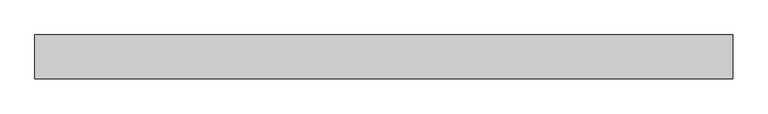
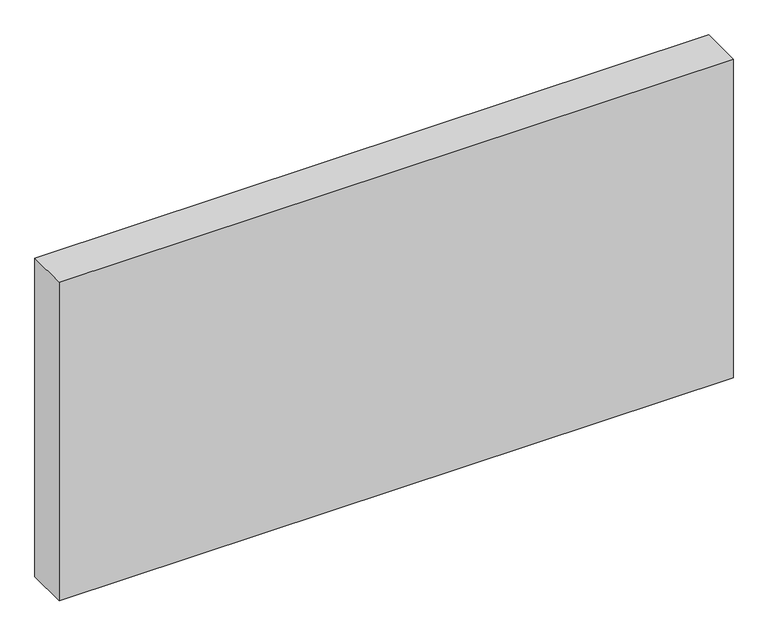
"""IFC4 building model written with IfcOpenShell, lengths in millimetres: proxy geometry."""

import ifcopenshell
import ifcopenshell.guid

model = None  # the IFC model being written
_history = None  # IfcOwnerHistory: only IFC2X3 demands one
_inside = {}  # id of a spatial element -> (the spatial element, [elements in it])
_under = {}  # id of a project, library or spatial element -> (it, [spatial elements below it])
_declared = {}  # id of a project -> (the project, [libraries it declares])
_typed = {}  # id of a type object -> (the type object, [elements of that type])
_made_of = {}  # id of a material, layer set ... -> (it, [elements and type objects made of it])


def new_model(schema):
    """Start an empty IFC model of exactly this schema.

    Asked for "IFC4X3", IfcOpenShell would pick the latest addendum, in which some entities
    have other attributes; the version numbers below select the first issue.
    IFC2X3 requires an IfcOwnerHistory on every rooted entity: one is made here for all.
    """
    global model, _history
    if schema == "IFC4X3":
        model = ifcopenshell.file(schema_version=(4, 3, 0, 0))
    else:
        model = ifcopenshell.file(schema=schema)
    _inside.clear()
    _under.clear()
    _declared.clear()
    _typed.clear()
    _made_of.clear()
    _history = None
    if model.schema == "IFC2X3":
        org = make("IfcOrganization", Name="unknown")
        user = make(
            "IfcPersonAndOrganization",
            ThePerson=make("IfcPerson", FamilyName="unknown"),
            TheOrganization=org,
        )
        app = make(
            "IfcApplication",
            ApplicationDeveloper=org,
            Version="unknown",
            ApplicationFullName="unknown",
            ApplicationIdentifier="unknown",
        )
        _history = make(
            "IfcOwnerHistory",
            OwningUser=user,
            OwningApplication=app,
            ChangeAction="ADDED",
            CreationDate=0,
        )
    return model


def make(cls, **values):
    """One entity of the class cls with the attributes given. An attribute that is None is left unset."""
    return model.create_entity(
        cls, **{name: value for name, value in values.items() if value is not None}
    )


def rooted(cls, **values):
    """An entity with a GlobalId (a new one), such as an element, a storey or a relation."""
    return make(cls, GlobalId=ifcopenshell.guid.new(), OwnerHistory=_history, **values)


def si_unit(unit_type, name, prefix=None):
    """IfcSIUnit, for example si_unit("LENGTHUNIT", "METRE", prefix="MILLI")."""
    return make("IfcSIUnit", UnitType=unit_type, Prefix=prefix, Name=name)


def assignment(units):
    """IfcUnitAssignment: the units of a project."""
    return None if units is None else make("IfcUnitAssignment", Units=units)


def point(xyz):
    """IfcCartesianPoint."""
    return None if xyz is None else make("IfcCartesianPoint", Coordinates=xyz)


def direction(xyz):
    """IfcDirection."""
    return None if xyz is None else make("IfcDirection", DirectionRatios=xyz)


def frame(location, z_axis=None, x_axis=None):
    """IfcAxis2Placement3D, a coordinate frame: its origin and axes. An axis left out is left unset."""
    return make(
        "IfcAxis2Placement3D",
        Location=point(location),
        Axis=direction(z_axis),
        RefDirection=direction(x_axis),
    )


def origin():
    """The frame at (0, 0, 0) with its axes left unset."""
    return frame((0.0, 0.0, 0.0))


def origin_with_axes():
    """The frame at (0, 0, 0) with the z axis (0, 0, 1) and the x axis (1, 0, 0) written out."""
    return frame((0.0, 0.0, 0.0), z_axis=(0.0, 0.0, 1.0), x_axis=(1.0, 0.0, 0.0))


def place(relative_to, where):
    """IfcLocalPlacement: puts the frame where relative to a parent placement (None: the world)."""
    return make(
        "IfcLocalPlacement", PlacementRelTo=relative_to, RelativePlacement=where
    )


def context(
    kind, dimensions, precision=None, world=None, true_north=None, identifier=None
):
    """IfcGeometricRepresentationContext, for example the 3D "Model" context."""
    return make(
        "IfcGeometricRepresentationContext",
        ContextIdentifier=identifier,
        ContextType=kind,
        CoordinateSpaceDimension=dimensions,
        Precision=precision,
        WorldCoordinateSystem=world,
        TrueNorth=true_north,
    )


def project(units=None, contexts=None):
    """IfcProject with its units and contexts."""
    return rooted(
        "IfcProject",
        Name="project",
        RepresentationContexts=contexts,
        UnitsInContext=assignment(units),
    )


def spatial(cls, under=None, at=None, **own):
    """A site, building, storey or space (cls), placed at a placement, below another one or the project."""
    s = rooted(cls, ObjectPlacement=at, **own)
    if under is not None:
        _under.setdefault(under.id(), (under, []))[1].append(s)
    return s


def polyline(points):
    """IfcPolyline through the points."""
    return make("IfcPolyline", Points=[point(p) for p in points])


def outline(outer, holes=None, kind="AREA"):
    """IfcArbitraryClosedProfileDef: a profile drawn as a closed curve; with holes, ...WithVoids."""
    if holes is None:
        return make("IfcArbitraryClosedProfileDef", ProfileType=kind, OuterCurve=outer)
    return make(
        "IfcArbitraryProfileDefWithVoids",
        ProfileType=kind,
        OuterCurve=outer,
        InnerCurves=holes,
    )


def extrude(swept, where, along, depth):
    """IfcExtrudedAreaSolid: the profile swept, set in the frame where, extruded along a direction by depth."""
    return make(
        "IfcExtrudedAreaSolid",
        SweptArea=swept,
        Position=where,
        ExtrudedDirection=direction(along),
        Depth=depth,
    )


def shape(context_of_items, identifier, shape_type, items):
    """IfcShapeRepresentation: the items that make up one representation, for example the "Body"."""
    return make(
        "IfcShapeRepresentation",
        ContextOfItems=context_of_items,
        RepresentationIdentifier=identifier,
        RepresentationType=shape_type,
        Items=items,
    )


def source(mapping_origin, context_of_items, identifier, shape_type, items):
    """IfcRepresentationMap: a shape defined once, which mapped items show again and again."""
    return make(
        "IfcRepresentationMap",
        MappingOrigin=mapping_origin,
        MappedRepresentation=shape(context_of_items, identifier, shape_type, items),
    )


def transform(
    local_origin,
    x_axis=None,
    y_axis=None,
    z_axis=None,
    scale=None,
    scale2=None,
    scale3=None,
    uniform=True,
):
    """IfcCartesianTransformationOperator3D, or its non-uniform kind. x_axis, y_axis, z_axis: its Axis1, 2, 3."""
    if uniform:
        return make(
            "IfcCartesianTransformationOperator3D",
            Axis1=direction(x_axis),
            Axis2=direction(y_axis),
            LocalOrigin=point(local_origin),
            Scale=scale,
            Axis3=direction(z_axis),
        )
    return make(
        "IfcCartesianTransformationOperator3DnonUniform",
        Axis1=direction(x_axis),
        Axis2=direction(y_axis),
        LocalOrigin=point(local_origin),
        Scale=scale,
        Axis3=direction(z_axis),
        Scale2=scale2,
        Scale3=scale3,
    )


def mapped(mapping_source, mapping_target):
    """IfcMappedItem: shows the shape of a source again, moved by a transform."""
    return make(
        "IfcMappedItem", MappingSource=mapping_source, MappingTarget=mapping_target
    )


def made_of(thing, what):
    """Note that an element or type object is made of a material, layer set ...; save() writes the relation."""
    if what is not None:
        _made_of.setdefault(what.id(), (what, []))[1].append(thing)
    return thing


def element(
    cls,
    number,
    at=None,
    inside=None,
    cuts=None,
    type_object=None,
    material=None,
    context=None,
    identifier="Body",
    shape_type=None,
    held_by="IfcProductDefinitionShape",
    body=None,
    shapes=None,
    **own,
):
    """One element of the class cls, such as IfcWall. Its Tag is "e" and its number.

    at: its placement. inside: the storey or other place that contains it. cuts: it is an
    opening in that element (IfcRelVoidsElement). A single representation is given by context,
    identifier, shape_type and body (its items); several are given by shapes. held_by: the class
    of the entity that holds the representations. save() writes the other relations.
    """
    e = rooted(cls, Tag="e%d" % number, ObjectPlacement=at, **own)
    if body is not None:
        shapes = [shape(context, identifier, shape_type, body)]
    if shapes is not None:
        e.Representation = make(held_by, Representations=shapes)
    if inside is not None:
        _inside.setdefault(inside.id(), (inside, []))[1].append(e)
    if cuts is not None:
        rooted(
            "IfcRelVoidsElement", RelatingBuildingElement=cuts, RelatedOpeningElement=e
        )
    if type_object is not None:
        _typed.setdefault(type_object.id(), (type_object, []))[1].append(e)
    return made_of(e, material)


def aggregate(whole, parts):
    """IfcRelAggregates: a whole, such as a stair, and the parts it consists of."""
    return rooted("IfcRelAggregates", RelatingObject=whole, RelatedObjects=parts)


def save(model, path):
    """Write the relations noted so far, then the file.

    IfcRelAggregates (storeys below a building ...), IfcRelContainedInSpatialStructure (elements
    in a storey), IfcRelDefinesByType, IfcRelAssociatesMaterial and IfcRelDeclares: one each for
    every whole, place, type object, material and project.
    """
    for whole, parts in _under.values():
        aggregate(whole, parts)
    for where, things in _inside.values():
        rooted(
            "IfcRelContainedInSpatialStructure",
            RelatedElements=things,
            RelatingStructure=where,
        )
    for kind, things in _typed.values():
        rooted("IfcRelDefinesByType", RelatedObjects=things, RelatingType=kind)
    for what, things in _made_of.values():
        rooted("IfcRelAssociatesMaterial", RelatedObjects=things, RelatingMaterial=what)
    for by, libraries in _declared.values():
        rooted("IfcRelDeclares", RelatingContext=by, RelatedDefinitions=libraries)
    model.write(path)


def generic_models_06ef6574(model_context):
    return source(origin(), model_context, "Body", "SweptSolid", [
        extrude(outline(polyline([(0.0, 500.0), (0.0, 0.0), (-8000.0, 0.0), (-8000.0, 500.0), (0.0, 500.0)])), origin_with_axes(), (0.0, 0.0, 1.0), 4000.0),
    ])


if __name__ == "__main__":
    model = new_model("IFC4")
    model_context = context("Model", 3, world=origin())
    ifc_project = project(units=[si_unit("LENGTHUNIT", "METRE", prefix="MILLI")], contexts=[model_context])
    site = spatial("IfcSite", under=ifc_project)
    building = spatial("IfcBuilding", under=site)
    placement = place(None, origin())
    generic_models_shape = generic_models_06ef6574(model_context)
    element("IfcBuildingElementProxy", 1, Name="Generic Models", at=placement, inside=building, context=model_context, shape_type="MappedRepresentation", body=[
        mapped(generic_models_shape, transform((0.0, 0.0, 0.0), x_axis=(1.0, 0.0, 0.0), y_axis=(0.0, 1.0, 0.0), z_axis=(0.0, 0.0, 1.0))),
    ])
    save(model, "model.ifc")
